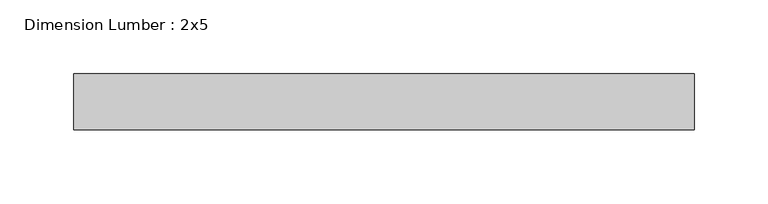
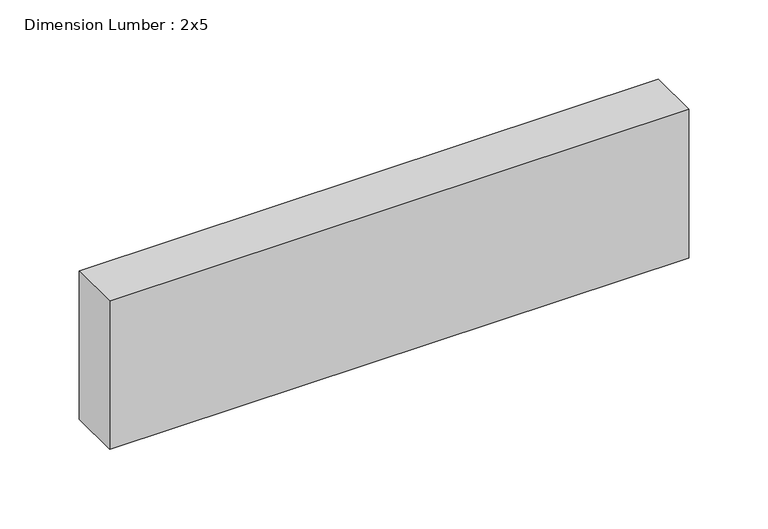
"""IFC4 building model written with IfcOpenShell, lengths in millimetres: beam geometry, Dimension Lumber : 2x5."""

from ifc_helpers import new_model, si_unit, frame, origin, place, context, project, spatial, polyline, outline, extrude, source, transform, mapped, element, save


def dimension_lumber_2x5_1c8ca84f(model_context):
    return source(origin(), model_context, "Body", "SweptSolid", [
        extrude(outline(polyline([(213.0044536, 19.05), (213.0044536, -19.05), (-207.9819148, -19.05), (-207.9819148, 19.05), (213.0044536, 19.05)])), frame((0.0, 0.0, -57.15), z_axis=(0.0, 0.0, 1.0), x_axis=(1.0, 0.0, 0.0)), (0.0, 0.0, 1.0), 114.3),
    ])


if __name__ == "__main__":
    model = new_model("IFC4")
    model_context = context("Model", 3, world=origin())
    ifc_project = project(units=[si_unit("LENGTHUNIT", "METRE", prefix="MILLI")], contexts=[model_context])
    site = spatial("IfcSite", under=ifc_project)
    building = spatial("IfcBuilding", under=site)
    placement = place(None, origin())
    dimension_lumber_2x5_shape = dimension_lumber_2x5_1c8ca84f(model_context)
    element("IfcBeam", 1, ObjectType="Dimension Lumber : 2x5", at=placement, inside=building, context=model_context, shape_type="MappedRepresentation", body=[
        mapped(dimension_lumber_2x5_shape, transform((0.0, 0.0, 0.0), x_axis=(1.0, 0.0, 0.0), y_axis=(0.0, 1.0, 0.0), z_axis=(0.0, 0.0, 1.0))),
    ])
    save(model, "model.ifc")
